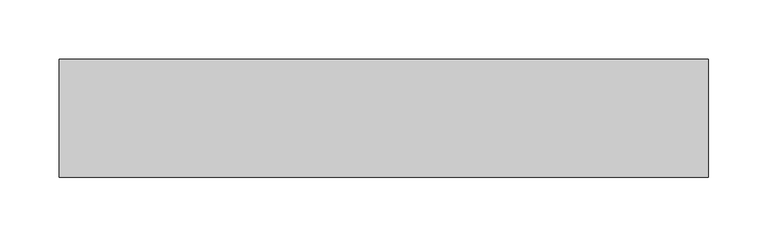
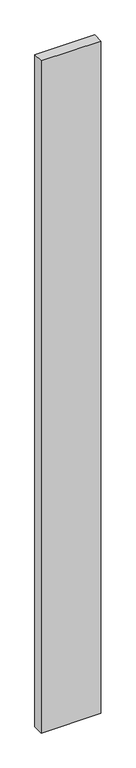
"""IFC4 building model written with IfcOpenShell, lengths in millimetres: proxy geometry."""

import ifcopenshell
import ifcopenshell.guid

model = None  # the IFC model being written
_history = None  # IfcOwnerHistory: only IFC2X3 demands one
_inside = {}  # id of a spatial element -> (the spatial element, [elements in it])
_under = {}  # id of a project, library or spatial element -> (it, [spatial elements below it])
_declared = {}  # id of a project -> (the project, [libraries it declares])
_typed = {}  # id of a type object -> (the type object, [elements of that type])
_made_of = {}  # id of a material, layer set ... -> (it, [elements and type objects made of it])


def new_model(schema):
    """Start an empty IFC model of exactly this schema.

    Asked for "IFC4X3", IfcOpenShell would pick the latest addendum, in which some entities
    have other attributes; the version numbers below select the first issue.
    IFC2X3 requires an IfcOwnerHistory on every rooted entity: one is made here for all.
    """
    global model, _history
    if schema == "IFC4X3":
        model = ifcopenshell.file(schema_version=(4, 3, 0, 0))
    else:
        model = ifcopenshell.file(schema=schema)
    _inside.clear()
    _under.clear()
    _declared.clear()
    _typed.clear()
    _made_of.clear()
    _history = None
    if model.schema == "IFC2X3":
        org = make("IfcOrganization", Name="unknown")
        user = make(
            "IfcPersonAndOrganization",
            ThePerson=make("IfcPerson", FamilyName="unknown"),
            TheOrganization=org,
        )
        app = make(
            "IfcApplication",
            ApplicationDeveloper=org,
            Version="unknown",
            ApplicationFullName="unknown",
            ApplicationIdentifier="unknown",
        )
        _history = make(
            "IfcOwnerHistory",
            OwningUser=user,
            OwningApplication=app,
            ChangeAction="ADDED",
            CreationDate=0,
        )
    return model


def make(cls, **values):
    """One entity of the class cls with the attributes given. An attribute that is None is left unset."""
    return model.create_entity(
        cls, **{name: value for name, value in values.items() if value is not None}
    )


def rooted(cls, **values):
    """An entity with a GlobalId (a new one), such as an element, a storey or a relation."""
    return make(cls, GlobalId=ifcopenshell.guid.new(), OwnerHistory=_history, **values)


def si_unit(unit_type, name, prefix=None):
    """IfcSIUnit, for example si_unit("LENGTHUNIT", "METRE", prefix="MILLI")."""
    return make("IfcSIUnit", UnitType=unit_type, Prefix=prefix, Name=name)


def assignment(units):
    """IfcUnitAssignment: the units of a project."""
    return None if units is None else make("IfcUnitAssignment", Units=units)


def point(xyz):
    """IfcCartesianPoint."""
    return None if xyz is None else make("IfcCartesianPoint", Coordinates=xyz)


def direction(xyz):
    """IfcDirection."""
    return None if xyz is None else make("IfcDirection", DirectionRatios=xyz)


def frame(location, z_axis=None, x_axis=None):
    """IfcAxis2Placement3D, a coordinate frame: its origin and axes. An axis left out is left unset."""
    return make(
        "IfcAxis2Placement3D",
        Location=point(location),
        Axis=direction(z_axis),
        RefDirection=direction(x_axis),
    )


def origin():
    """The frame at (0, 0, 0) with its axes left unset."""
    return frame((0.0, 0.0, 0.0))


def place(relative_to, where):
    """IfcLocalPlacement: puts the frame where relative to a parent placement (None: the world)."""
    return make(
        "IfcLocalPlacement", PlacementRelTo=relative_to, RelativePlacement=where
    )


def context(
    kind, dimensions, precision=None, world=None, true_north=None, identifier=None
):
    """IfcGeometricRepresentationContext, for example the 3D "Model" context."""
    return make(
        "IfcGeometricRepresentationContext",
        ContextIdentifier=identifier,
        ContextType=kind,
        CoordinateSpaceDimension=dimensions,
        Precision=precision,
        WorldCoordinateSystem=world,
        TrueNorth=true_north,
    )


def project(units=None, contexts=None):
    """IfcProject with its units and contexts."""
    return rooted(
        "IfcProject",
        Name="project",
        RepresentationContexts=contexts,
        UnitsInContext=assignment(units),
    )


def spatial(cls, under=None, at=None, **own):
    """A site, building, storey or space (cls), placed at a placement, below another one or the project."""
    s = rooted(cls, ObjectPlacement=at, **own)
    if under is not None:
        _under.setdefault(under.id(), (under, []))[1].append(s)
    return s


def polyline(points):
    """IfcPolyline through the points."""
    return make("IfcPolyline", Points=[point(p) for p in points])


def outline(outer, holes=None, kind="AREA"):
    """IfcArbitraryClosedProfileDef: a profile drawn as a closed curve; with holes, ...WithVoids."""
    if holes is None:
        return make("IfcArbitraryClosedProfileDef", ProfileType=kind, OuterCurve=outer)
    return make(
        "IfcArbitraryProfileDefWithVoids",
        ProfileType=kind,
        OuterCurve=outer,
        InnerCurves=holes,
    )


def extrude(swept, where, along, depth):
    """IfcExtrudedAreaSolid: the profile swept, set in the frame where, extruded along a direction by depth."""
    return make(
        "IfcExtrudedAreaSolid",
        SweptArea=swept,
        Position=where,
        ExtrudedDirection=direction(along),
        Depth=depth,
    )


def shape(context_of_items, identifier, shape_type, items):
    """IfcShapeRepresentation: the items that make up one representation, for example the "Body"."""
    return make(
        "IfcShapeRepresentation",
        ContextOfItems=context_of_items,
        RepresentationIdentifier=identifier,
        RepresentationType=shape_type,
        Items=items,
    )


def source(mapping_origin, context_of_items, identifier, shape_type, items):
    """IfcRepresentationMap: a shape defined once, which mapped items show again and again."""
    return make(
        "IfcRepresentationMap",
        MappingOrigin=mapping_origin,
        MappedRepresentation=shape(context_of_items, identifier, shape_type, items),
    )


def transform(
    local_origin,
    x_axis=None,
    y_axis=None,
    z_axis=None,
    scale=None,
    scale2=None,
    scale3=None,
    uniform=True,
):
    """IfcCartesianTransformationOperator3D, or its non-uniform kind. x_axis, y_axis, z_axis: its Axis1, 2, 3."""
    if uniform:
        return make(
            "IfcCartesianTransformationOperator3D",
            Axis1=direction(x_axis),
            Axis2=direction(y_axis),
            LocalOrigin=point(local_origin),
            Scale=scale,
            Axis3=direction(z_axis),
        )
    return make(
        "IfcCartesianTransformationOperator3DnonUniform",
        Axis1=direction(x_axis),
        Axis2=direction(y_axis),
        LocalOrigin=point(local_origin),
        Scale=scale,
        Axis3=direction(z_axis),
        Scale2=scale2,
        Scale3=scale3,
    )


def mapped(mapping_source, mapping_target):
    """IfcMappedItem: shows the shape of a source again, moved by a transform."""
    return make(
        "IfcMappedItem", MappingSource=mapping_source, MappingTarget=mapping_target
    )


def made_of(thing, what):
    """Note that an element or type object is made of a material, layer set ...; save() writes the relation."""
    if what is not None:
        _made_of.setdefault(what.id(), (what, []))[1].append(thing)
    return thing


def element(
    cls,
    number,
    at=None,
    inside=None,
    cuts=None,
    type_object=None,
    material=None,
    context=None,
    identifier="Body",
    shape_type=None,
    held_by="IfcProductDefinitionShape",
    body=None,
    shapes=None,
    **own,
):
    """One element of the class cls, such as IfcWall. Its Tag is "e" and its number.

    at: its placement. inside: the storey or other place that contains it. cuts: it is an
    opening in that element (IfcRelVoidsElement). A single representation is given by context,
    identifier, shape_type and body (its items); several are given by shapes. held_by: the class
    of the entity that holds the representations. save() writes the other relations.
    """
    e = rooted(cls, Tag="e%d" % number, ObjectPlacement=at, **own)
    if body is not None:
        shapes = [shape(context, identifier, shape_type, body)]
    if shapes is not None:
        e.Representation = make(held_by, Representations=shapes)
    if inside is not None:
        _inside.setdefault(inside.id(), (inside, []))[1].append(e)
    if cuts is not None:
        rooted(
            "IfcRelVoidsElement", RelatingBuildingElement=cuts, RelatedOpeningElement=e
        )
    if type_object is not None:
        _typed.setdefault(type_object.id(), (type_object, []))[1].append(e)
    return made_of(e, material)


def aggregate(whole, parts):
    """IfcRelAggregates: a whole, such as a stair, and the parts it consists of."""
    return rooted("IfcRelAggregates", RelatingObject=whole, RelatedObjects=parts)


def save(model, path):
    """Write the relations noted so far, then the file.

    IfcRelAggregates (storeys below a building ...), IfcRelContainedInSpatialStructure (elements
    in a storey), IfcRelDefinesByType, IfcRelAssociatesMaterial and IfcRelDeclares: one each for
    every whole, place, type object, material and project.
    """
    for whole, parts in _under.values():
        aggregate(whole, parts)
    for where, things in _inside.values():
        rooted(
            "IfcRelContainedInSpatialStructure",
            RelatedElements=things,
            RelatingStructure=where,
        )
    for kind, things in _typed.values():
        rooted("IfcRelDefinesByType", RelatedObjects=things, RelatingType=kind)
    for what, things in _made_of.values():
        rooted("IfcRelAssociatesMaterial", RelatedObjects=things, RelatingMaterial=what)
    for by, libraries in _declared.values():
        rooted("IfcRelDeclares", RelatingContext=by, RelatedDefinitions=libraries)
    model.write(path)


def generic_models_9ec2ce34(model_context):
    return source(origin(), model_context, "Body", "SweptSolid", [
        extrude(outline(polyline([(550.0, 100.0), (550.0, 0.0), (0.0, 0.0), (0.0, 100.0), (550.0, 100.0)])), frame((0.0, 0.0, -6550.0), z_axis=(0.0, 0.0, 1.0), x_axis=(1.0, 0.0, 0.0)), (0.0, 0.0, 1.0), 6550.0),
    ])


if __name__ == "__main__":
    model = new_model("IFC4")
    model_context = context("Model", 3, world=origin())
    ifc_project = project(units=[si_unit("LENGTHUNIT", "METRE", prefix="MILLI")], contexts=[model_context])
    site = spatial("IfcSite", under=ifc_project)
    building = spatial("IfcBuilding", under=site)
    placement = place(None, origin())
    generic_models_shape = generic_models_9ec2ce34(model_context)
    element("IfcBuildingElementProxy", 1, Name="Generic Models", at=placement, inside=building, context=model_context, shape_type="MappedRepresentation", body=[
        mapped(generic_models_shape, transform((0.0, 0.0, 0.0), x_axis=(1.0, 0.0, 0.0), y_axis=(0.0, 1.0, 0.0), z_axis=(0.0, 0.0, 1.0))),
    ])
    save(model, "model.ifc")
